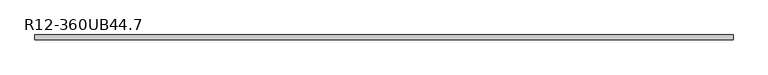
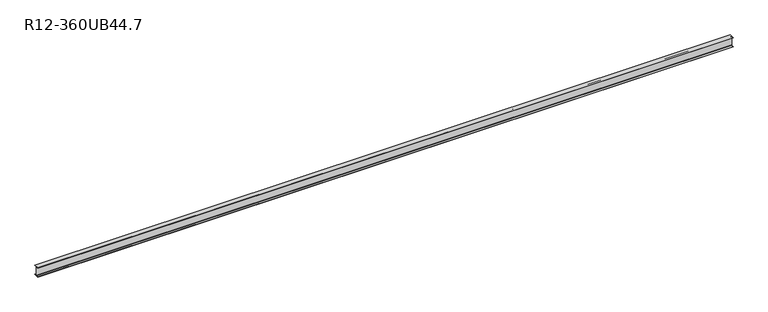
"""IFC4 building model written with IfcOpenShell, lengths in millimetres: beam geometry, R12-360UB44.7."""

import ifcopenshell
import ifcopenshell.guid

model = None  # the IFC model being written
_history = None  # IfcOwnerHistory: only IFC2X3 demands one
_inside = {}  # id of a spatial element -> (the spatial element, [elements in it])
_under = {}  # id of a project, library or spatial element -> (it, [spatial elements below it])
_declared = {}  # id of a project -> (the project, [libraries it declares])
_typed = {}  # id of a type object -> (the type object, [elements of that type])
_made_of = {}  # id of a material, layer set ... -> (it, [elements and type objects made of it])


def new_model(schema):
    """Start an empty IFC model of exactly this schema.

    Asked for "IFC4X3", IfcOpenShell would pick the latest addendum, in which some entities
    have other attributes; the version numbers below select the first issue.
    IFC2X3 requires an IfcOwnerHistory on every rooted entity: one is made here for all.
    """
    global model, _history
    if schema == "IFC4X3":
        model = ifcopenshell.file(schema_version=(4, 3, 0, 0))
    else:
        model = ifcopenshell.file(schema=schema)
    _inside.clear()
    _under.clear()
    _declared.clear()
    _typed.clear()
    _made_of.clear()
    _history = None
    if model.schema == "IFC2X3":
        org = make("IfcOrganization", Name="unknown")
        user = make(
            "IfcPersonAndOrganization",
            ThePerson=make("IfcPerson", FamilyName="unknown"),
            TheOrganization=org,
        )
        app = make(
            "IfcApplication",
            ApplicationDeveloper=org,
            Version="unknown",
            ApplicationFullName="unknown",
            ApplicationIdentifier="unknown",
        )
        _history = make(
            "IfcOwnerHistory",
            OwningUser=user,
            OwningApplication=app,
            ChangeAction="ADDED",
            CreationDate=0,
        )
    return model


def make(cls, **values):
    """One entity of the class cls with the attributes given. An attribute that is None is left unset."""
    return model.create_entity(
        cls, **{name: value for name, value in values.items() if value is not None}
    )


def rooted(cls, **values):
    """An entity with a GlobalId (a new one), such as an element, a storey or a relation."""
    return make(cls, GlobalId=ifcopenshell.guid.new(), OwnerHistory=_history, **values)


def si_unit(unit_type, name, prefix=None):
    """IfcSIUnit, for example si_unit("LENGTHUNIT", "METRE", prefix="MILLI")."""
    return make("IfcSIUnit", UnitType=unit_type, Prefix=prefix, Name=name)


def assignment(units):
    """IfcUnitAssignment: the units of a project."""
    return None if units is None else make("IfcUnitAssignment", Units=units)


def point(xyz):
    """IfcCartesianPoint."""
    return None if xyz is None else make("IfcCartesianPoint", Coordinates=xyz)


def direction(xyz):
    """IfcDirection."""
    return None if xyz is None else make("IfcDirection", DirectionRatios=xyz)


def frame(location, z_axis=None, x_axis=None):
    """IfcAxis2Placement3D, a coordinate frame: its origin and axes. An axis left out is left unset."""
    return make(
        "IfcAxis2Placement3D",
        Location=point(location),
        Axis=direction(z_axis),
        RefDirection=direction(x_axis),
    )


def frame_2d(location, x_axis=None):
    """IfcAxis2Placement2D, a coordinate frame in the plane: its origin and x axis."""
    return make(
        "IfcAxis2Placement2D", Location=point(location), RefDirection=direction(x_axis)
    )


def origin():
    """The frame at (0, 0, 0) with its axes left unset."""
    return frame((0.0, 0.0, 0.0))


def place(relative_to, where):
    """IfcLocalPlacement: puts the frame where relative to a parent placement (None: the world)."""
    return make(
        "IfcLocalPlacement", PlacementRelTo=relative_to, RelativePlacement=where
    )


def context(
    kind, dimensions, precision=None, world=None, true_north=None, identifier=None
):
    """IfcGeometricRepresentationContext, for example the 3D "Model" context."""
    return make(
        "IfcGeometricRepresentationContext",
        ContextIdentifier=identifier,
        ContextType=kind,
        CoordinateSpaceDimension=dimensions,
        Precision=precision,
        WorldCoordinateSystem=world,
        TrueNorth=true_north,
    )


def project(units=None, contexts=None):
    """IfcProject with its units and contexts."""
    return rooted(
        "IfcProject",
        Name="project",
        RepresentationContexts=contexts,
        UnitsInContext=assignment(units),
    )


def spatial(cls, under=None, at=None, **own):
    """A site, building, storey or space (cls), placed at a placement, below another one or the project."""
    s = rooted(cls, ObjectPlacement=at, **own)
    if under is not None:
        _under.setdefault(under.id(), (under, []))[1].append(s)
    return s


def polyline(points):
    """IfcPolyline through the points."""
    return make("IfcPolyline", Points=[point(p) for p in points])


def circle_curve(where, radius):
    """IfcCircle in the frame where."""
    return make("IfcCircle", Position=where, Radius=radius)


def trimmed(basis, trim1, trim2, sense, master):
    """IfcTrimmedCurve: the piece of a basis curve between two trims."""
    return make(
        "IfcTrimmedCurve",
        BasisCurve=basis,
        Trim1=trim1,
        Trim2=trim2,
        SenseAgreement=sense,
        MasterRepresentation=master,
    )


def segment(curve, same_sense, transition):
    """IfcCompositeCurveSegment."""
    return make(
        "IfcCompositeCurveSegment",
        Transition=transition,
        SameSense=same_sense,
        ParentCurve=curve,
    )


def composite_curve(segments, self_intersect=None):
    """IfcCompositeCurve: segments joined end to end."""
    return make("IfcCompositeCurve", Segments=segments, SelfIntersect=self_intersect)


def outline(outer, holes=None, kind="AREA"):
    """IfcArbitraryClosedProfileDef: a profile drawn as a closed curve; with holes, ...WithVoids."""
    if holes is None:
        return make("IfcArbitraryClosedProfileDef", ProfileType=kind, OuterCurve=outer)
    return make(
        "IfcArbitraryProfileDefWithVoids",
        ProfileType=kind,
        OuterCurve=outer,
        InnerCurves=holes,
    )


def extrude(swept, where, along, depth):
    """IfcExtrudedAreaSolid: the profile swept, set in the frame where, extruded along a direction by depth."""
    return make(
        "IfcExtrudedAreaSolid",
        SweptArea=swept,
        Position=where,
        ExtrudedDirection=direction(along),
        Depth=depth,
    )


def shape(context_of_items, identifier, shape_type, items):
    """IfcShapeRepresentation: the items that make up one representation, for example the "Body"."""
    return make(
        "IfcShapeRepresentation",
        ContextOfItems=context_of_items,
        RepresentationIdentifier=identifier,
        RepresentationType=shape_type,
        Items=items,
    )


def source(mapping_origin, context_of_items, identifier, shape_type, items):
    """IfcRepresentationMap: a shape defined once, which mapped items show again and again."""
    return make(
        "IfcRepresentationMap",
        MappingOrigin=mapping_origin,
        MappedRepresentation=shape(context_of_items, identifier, shape_type, items),
    )


def transform(
    local_origin,
    x_axis=None,
    y_axis=None,
    z_axis=None,
    scale=None,
    scale2=None,
    scale3=None,
    uniform=True,
):
    """IfcCartesianTransformationOperator3D, or its non-uniform kind. x_axis, y_axis, z_axis: its Axis1, 2, 3."""
    if uniform:
        return make(
            "IfcCartesianTransformationOperator3D",
            Axis1=direction(x_axis),
            Axis2=direction(y_axis),
            LocalOrigin=point(local_origin),
            Scale=scale,
            Axis3=direction(z_axis),
        )
    return make(
        "IfcCartesianTransformationOperator3DnonUniform",
        Axis1=direction(x_axis),
        Axis2=direction(y_axis),
        LocalOrigin=point(local_origin),
        Scale=scale,
        Axis3=direction(z_axis),
        Scale2=scale2,
        Scale3=scale3,
    )


def mapped(mapping_source, mapping_target):
    """IfcMappedItem: shows the shape of a source again, moved by a transform."""
    return make(
        "IfcMappedItem", MappingSource=mapping_source, MappingTarget=mapping_target
    )


def made_of(thing, what):
    """Note that an element or type object is made of a material, layer set ...; save() writes the relation."""
    if what is not None:
        _made_of.setdefault(what.id(), (what, []))[1].append(thing)
    return thing


def element(
    cls,
    number,
    at=None,
    inside=None,
    cuts=None,
    type_object=None,
    material=None,
    context=None,
    identifier="Body",
    shape_type=None,
    held_by="IfcProductDefinitionShape",
    body=None,
    shapes=None,
    **own,
):
    """One element of the class cls, such as IfcWall. Its Tag is "e" and its number.

    at: its placement. inside: the storey or other place that contains it. cuts: it is an
    opening in that element (IfcRelVoidsElement). A single representation is given by context,
    identifier, shape_type and body (its items); several are given by shapes. held_by: the class
    of the entity that holds the representations. save() writes the other relations.
    """
    e = rooted(cls, Tag="e%d" % number, ObjectPlacement=at, **own)
    if body is not None:
        shapes = [shape(context, identifier, shape_type, body)]
    if shapes is not None:
        e.Representation = make(held_by, Representations=shapes)
    if inside is not None:
        _inside.setdefault(inside.id(), (inside, []))[1].append(e)
    if cuts is not None:
        rooted(
            "IfcRelVoidsElement", RelatingBuildingElement=cuts, RelatedOpeningElement=e
        )
    if type_object is not None:
        _typed.setdefault(type_object.id(), (type_object, []))[1].append(e)
    return made_of(e, material)


def aggregate(whole, parts):
    """IfcRelAggregates: a whole, such as a stair, and the parts it consists of."""
    return rooted("IfcRelAggregates", RelatingObject=whole, RelatedObjects=parts)


def save(model, path):
    """Write the relations noted so far, then the file.

    IfcRelAggregates (storeys below a building ...), IfcRelContainedInSpatialStructure (elements
    in a storey), IfcRelDefinesByType, IfcRelAssociatesMaterial and IfcRelDeclares: one each for
    every whole, place, type object, material and project.
    """
    for whole, parts in _under.values():
        aggregate(whole, parts)
    for where, things in _inside.values():
        rooted(
            "IfcRelContainedInSpatialStructure",
            RelatedElements=things,
            RelatingStructure=where,
        )
    for kind, things in _typed.values():
        rooted("IfcRelDefinesByType", RelatedObjects=things, RelatingType=kind)
    for what, things in _made_of.values():
        rooted("IfcRelAssociatesMaterial", RelatedObjects=things, RelatingMaterial=what)
    for by, libraries in _declared.values():
        rooted("IfcRelDeclares", RelatingContext=by, RelatedDefinitions=libraries)
    model.write(path)


def r12_360ub44_7_8d7bfdc3(model_context):
    return source(origin(), model_context, "Body", "SweptSolid", [
        extrude(outline(composite_curve([segment(polyline([(85.5, -166.3), (85.5, -176.0), (-85.5, -176.0), (-85.5, -166.3), (-14.85, -166.3)]), True, "CONTINUOUS"), segment(trimmed(circle_curve(frame_2d((-14.85, -154.9)), 11.4), [point((-14.85, -166.3))], [point((-3.45, -154.9))], True, "CARTESIAN"), True, "CONTINUOUS"), segment(polyline([(-3.45, -154.9), (-3.45, 154.9)]), True, "CONTINUOUS"), segment(trimmed(circle_curve(frame_2d((-14.85, 154.9)), 11.4), [point((-3.45, 154.9))], [point((-14.85, 166.3))], True, "CARTESIAN"), True, "CONTINUOUS"), segment(polyline([(-14.85, 166.3), (-85.5, 166.3), (-85.5, 176.0), (85.5, 176.0), (85.5, 166.3), (14.85, 166.3)]), True, "CONTINUOUS"), segment(trimmed(circle_curve(frame_2d((14.85, 154.9)), 11.4), [point((14.85, 166.3))], [point((3.45, 154.9))], True, "CARTESIAN"), True, "CONTINUOUS"), segment(polyline([(3.45, 154.9), (3.45, -154.9)]), True, "CONTINUOUS"), segment(trimmed(circle_curve(frame_2d((14.85, -154.9)), 11.4), [point((3.45, -154.9))], [point((14.85, -166.3))], True, "CARTESIAN"), True, "CONTINUOUS"), segment(polyline([(14.85, -166.3), (85.5, -166.3)]), True, "CONTINUOUS")], self_intersect=False)), frame((-12637.0, 0.0, 0.0), z_axis=(1.0, 0.0, 0.0), x_axis=(0.0, 1.0, 0.0)), (0.0, 0.0, 1.0), 25283.0),
    ])


if __name__ == "__main__":
    model = new_model("IFC4")
    model_context = context("Model", 3, world=origin())
    ifc_project = project(units=[si_unit("LENGTHUNIT", "METRE", prefix="MILLI")], contexts=[model_context])
    site = spatial("IfcSite", under=ifc_project)
    building = spatial("IfcBuilding", under=site)
    placement = place(None, origin())
    r12_360ub44_7_shape = r12_360ub44_7_8d7bfdc3(model_context)
    element("IfcBeam", 1, ObjectType="R12-360UB44.7", at=placement, inside=building, context=model_context, shape_type="MappedRepresentation", body=[
        mapped(r12_360ub44_7_shape, transform((0.0, 0.0, 0.0), x_axis=(1.0, 0.0, 0.0), y_axis=(0.0, 1.0, 0.0), z_axis=(0.0, 0.0, 1.0))),
    ])
    save(model, "model.ifc")
